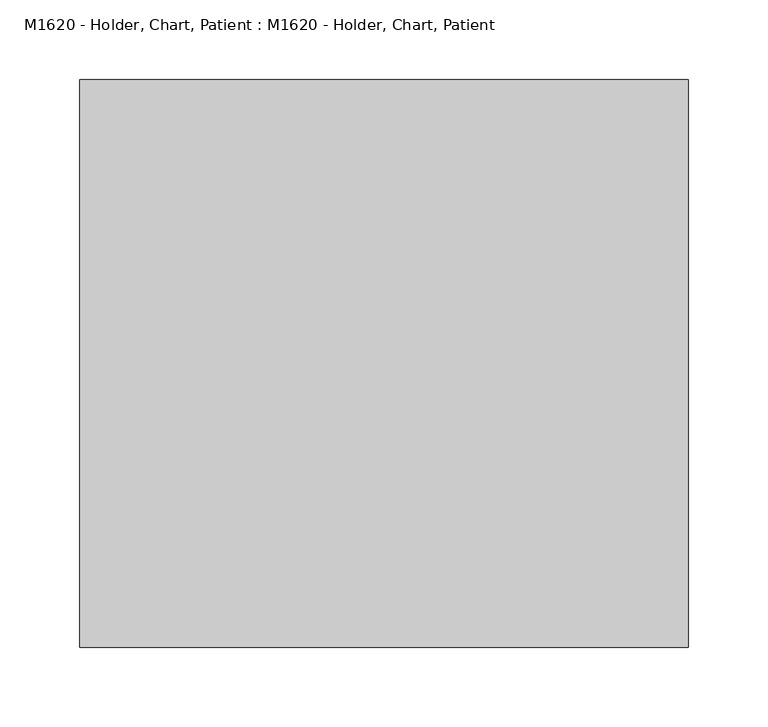
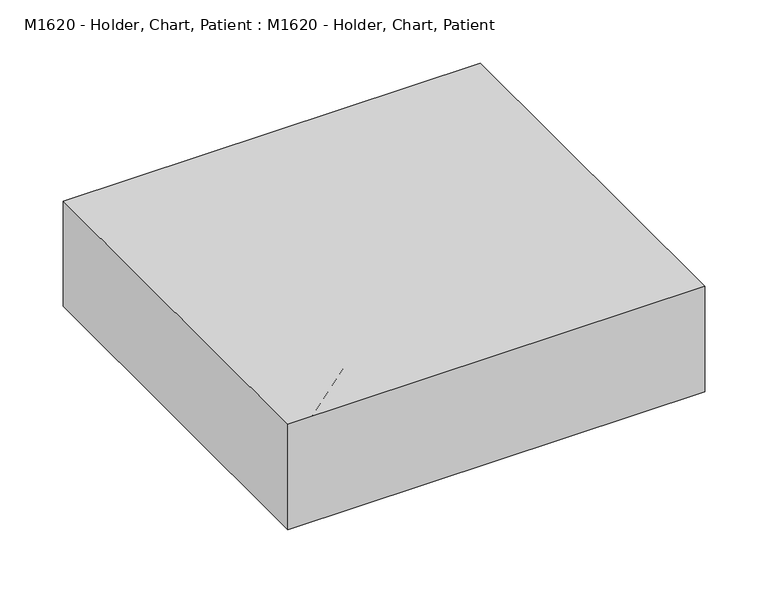
"""IFC4 building model written with IfcOpenShell, lengths in millimetres: proxy geometry, M1620 - Holder, Chart, Patient : M1620 - Holder, Chart, Patient."""

from ifc_helpers import new_model, si_unit, origin, origin_with_axes, place, context, project, spatial, polyline, outline, extrude, faceted_brep, source, transform, mapped, element, save


def m1620_holder_chart_patient_m1620_holder_chart_patient_69da9592(model_context):
    return source(origin(), model_context, "Body", "SolidModel", [
        extrude(outline(polyline([(190.5, 355.6), (190.5, 0.0), (-190.5, 0.0), (-190.5, 355.6), (190.5, 355.6)])), origin_with_axes(), (0.0, 0.0, 1.0), 101.6),
        faceted_brep([(190.5, 0.0, 101.6), (169.0322985, 0.0, 101.6), (169.0322985, 0.0, 92.075), (180.975, 0.0, 92.075), (180.975, 0.0, 9.525), (-180.975, 0.0, 9.525), (-180.975, 0.0, 92.075), (-168.275, 0.0, 92.075), (-168.275, 0.0, 101.6), (-190.5, 0.0, 101.6), (-190.5, 0.0, 0.0), (190.5, 0.0, 0.0), (190.5, 355.6, 101.6), (190.5, 355.6, 0.0), (-190.5, 355.6, 0.0), (-190.5, 355.6, 101.6), (-114.3, 44.45, 101.6), (114.3, 44.45, 101.6), (114.3, 44.45, 92.075), (-114.3, 44.45, 92.075), (-180.975, 346.075, 92.075), (180.975, 346.075, 92.075), (180.975, 346.075, 9.525), (-180.975, 346.075, 9.525)], [[[0, 1, 2, 3, 4, 5, 6, 7, 8, 9, 10, 11]], [[12, 13, 14, 15]], [[15, 9, 8, 16, 17, 1, 0, 12]], [[9, 15, 14, 10]], [[10, 14, 13, 11]], [[11, 13, 12, 0]], [[3, 2, 18, 19, 7, 6, 20, 21]], [[5, 4, 22, 23]], [[6, 5, 23, 20]], [[20, 23, 22, 21]], [[21, 22, 4, 3]], [[17, 16, 19, 18]], [[18, 2, 1, 17]], [[16, 8, 7, 19]]]),
    ])


if __name__ == "__main__":
    model = new_model("IFC4")
    model_context = context("Model", 3, world=origin())
    ifc_project = project(units=[si_unit("LENGTHUNIT", "METRE", prefix="MILLI")], contexts=[model_context])
    site = spatial("IfcSite", under=ifc_project)
    building = spatial("IfcBuilding", under=site)
    placement = place(None, origin())
    m1620_holder_chart_patient_m1620_holder_chart_patient_shape = m1620_holder_chart_patient_m1620_holder_chart_patient_69da9592(model_context)
    element("IfcBuildingElementProxy", 1, Name="M1620 - Holder, Chart, Patient : M1620 - Holder, Chart, Patient", ObjectType="M1620 - Holder, Chart, Patient : M1620 - Holder, Chart, Patient", at=placement, inside=building, context=model_context, shape_type="MappedRepresentation", body=[
        mapped(m1620_holder_chart_patient_m1620_holder_chart_patient_shape, transform((0.0, 0.0, 0.0), x_axis=(1.0, 0.0, 0.0), y_axis=(0.0, 1.0, 0.0), z_axis=(0.0, 0.0, 1.0))),
    ])
    save(model, "model.ifc")
